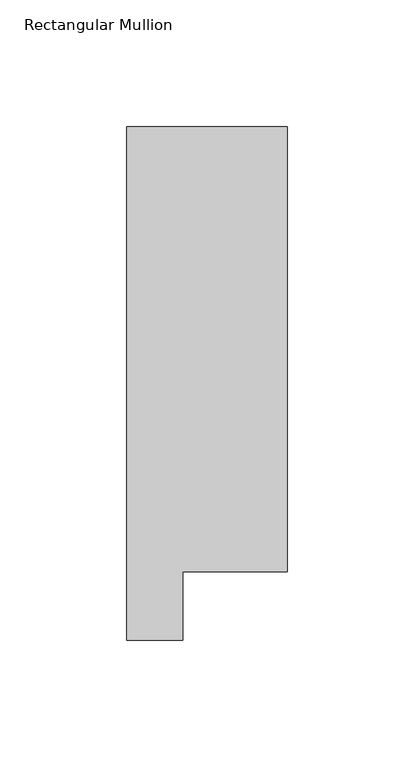
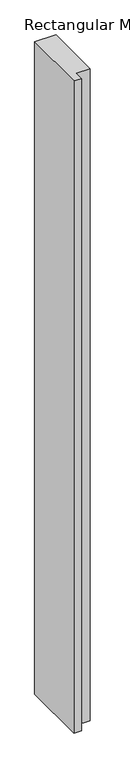
"""IFC4 building model written with IfcOpenShell, lengths in millimetres: member geometry, Rectangular Mullion."""

from ifc_helpers import new_model, si_unit, frame, origin, place, context, project, spatial, polyline, outline, extrude, source, transform, mapped, element, save


def rectangular_mullion_fc0862e7(model_context):
    return source(origin(), model_context, "Body", "SweptSolid", [
        extrude(outline(polyline([(-31.75, 222.5381313), (31.75, 222.5381313), (31.75, 46.7447302), (-9.5377, 46.7447302), (-9.5377, 19.5667313), (-31.75, 19.5667313), (-31.75, 222.5381313)])), frame((0.0, 0.0, -2057.4), z_axis=(0.0, 0.0, 1.0), x_axis=(1.0, 0.0, 0.0)), (0.0, 0.0, 1.0), 2057.4),
    ])


if __name__ == "__main__":
    model = new_model("IFC4")
    model_context = context("Model", 3, world=origin())
    ifc_project = project(units=[si_unit("LENGTHUNIT", "METRE", prefix="MILLI")], contexts=[model_context])
    site = spatial("IfcSite", under=ifc_project)
    building = spatial("IfcBuilding", under=site)
    placement = place(None, origin())
    rectangular_mullion_shape = rectangular_mullion_fc0862e7(model_context)
    element("IfcMember", 1, ObjectType="Rectangular Mullion", at=placement, inside=building, context=model_context, shape_type="MappedRepresentation", body=[
        mapped(rectangular_mullion_shape, transform((0.0, 0.0, 0.0), x_axis=(1.0, 0.0, 0.0), y_axis=(0.0, 1.0, 0.0), z_axis=(0.0, 0.0, 1.0))),
    ])
    save(model, "model.ifc")
